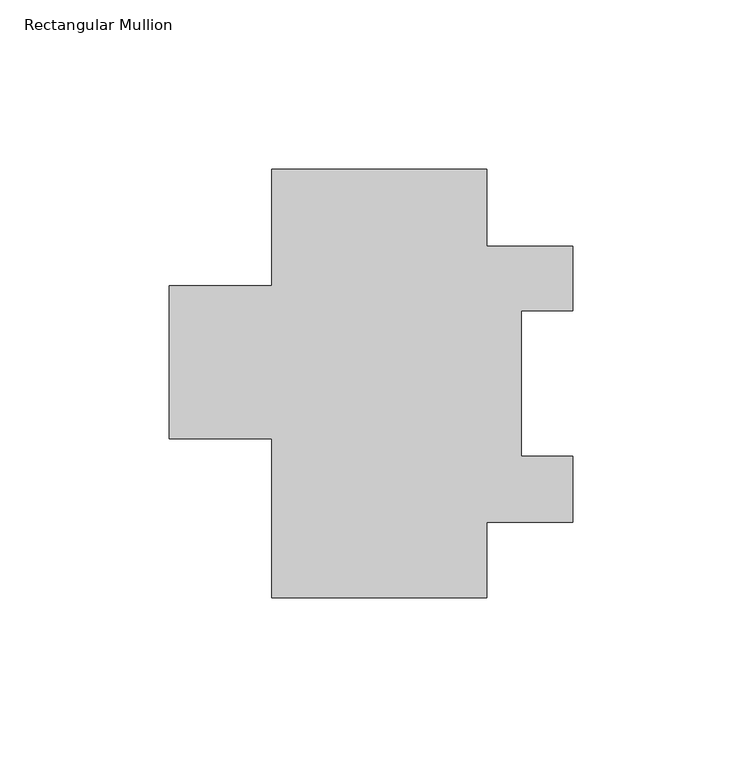
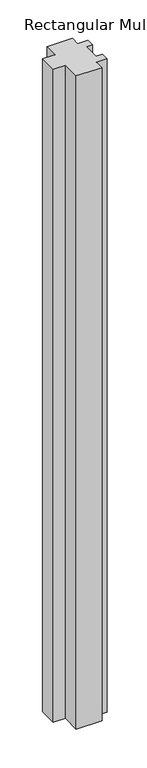
"""IFC4 building model written with IfcOpenShell, lengths in millimetres: member geometry, Rectangular Mullion."""

from ifc_helpers import new_model, si_unit, frame, origin, place, context, project, spatial, polyline, outline, extrude, source, transform, mapped, element, save


def rectangular_mullion_791aff02(model_context):
    return source(origin(), model_context, "Body", "SweptSolid", [
        extrude(outline(polyline([(-63.5, 126.7388563), (0.0, 126.7388563), (0.0, 103.9677562), (25.4, 103.9677562), (25.4, 84.9177562), (10.3124, 84.9177562), (10.3124, 42.0679562), (25.4, 42.0679562), (25.4, 22.5861562), (0.0, 22.5861562), (0.0, 0.2468563), (-63.5, 0.2468563), (-63.5, 47.1098562), (-93.6752, 47.1098562), (-93.6752, 92.3726563), (-63.5, 92.3726563), (-63.5, 126.7388563)])), frame((0.0, 0.0, -1714.5005426), z_axis=(0.0, 0.0, 1.0), x_axis=(1.0, 0.0, 0.0)), (0.0, 0.0, 1.0), 1714.5005426),
    ])


if __name__ == "__main__":
    model = new_model("IFC4")
    model_context = context("Model", 3, world=origin())
    ifc_project = project(units=[si_unit("LENGTHUNIT", "METRE", prefix="MILLI")], contexts=[model_context])
    site = spatial("IfcSite", under=ifc_project)
    building = spatial("IfcBuilding", under=site)
    placement = place(None, origin())
    rectangular_mullion_shape = rectangular_mullion_791aff02(model_context)
    element("IfcMember", 1, ObjectType="Rectangular Mullion", at=placement, inside=building, context=model_context, shape_type="MappedRepresentation", body=[
        mapped(rectangular_mullion_shape, transform((0.0, 0.0, 0.0), x_axis=(1.0, 0.0, 0.0), y_axis=(0.0, 1.0, 0.0), z_axis=(0.0, 0.0, 1.0))),
    ])
    save(model, "model.ifc")
